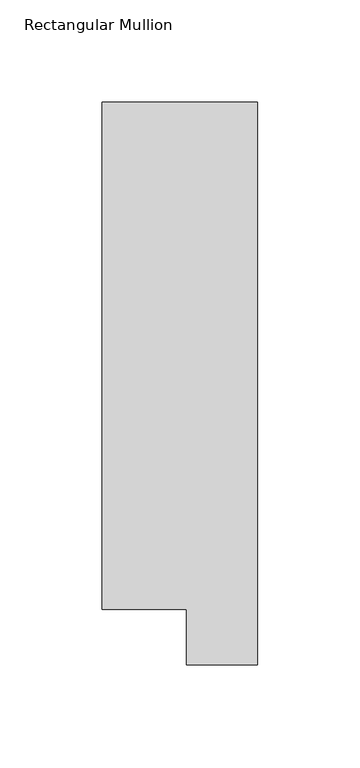
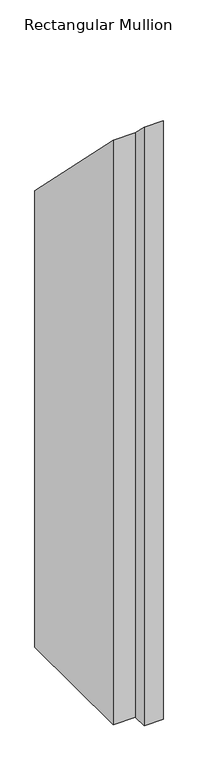
"""IFC4 building model written with IfcOpenShell, lengths in millimetres: member geometry, Rectangular Mullion."""

from ifc_helpers import new_model, si_unit, origin, place, context, project, spatial, faceted_brep, source, transform, mapped, element, save


def rectangular_mullion_a02175db(model_context):
    return source(origin(), model_context, "Body", "Brep", [
        faceted_brep([(0.0, 295.1821312, -1181.4194229), (0.0, 19.5667313, -1181.4194229), (-34.9123, 19.5667313, -1181.4194229), (-34.9123, 46.7447302, -1181.4194229), (-76.2, 46.7447302, -1181.4194229), (-76.2, 295.1821312, -1181.4194229), (-76.2, 295.1821312, -295.1821313), (0.0, 295.1821312, -295.1821313), (-76.2, 46.7447302, -46.7447302), (-34.9123, 46.7447302, -46.7447302), (-34.9123, 19.5667313, -19.5667313), (0.0, 19.5667313, -19.5667313)], [[[0, 1, 2, 3, 4, 5]], [[6, 7, 0, 5]], [[8, 6, 5, 4]], [[9, 8, 4, 3]], [[10, 9, 3, 2]], [[11, 10, 2, 1]], [[7, 11, 1, 0]], [[7, 6, 8, 9, 10, 11]]]),
    ])


if __name__ == "__main__":
    model = new_model("IFC4")
    model_context = context("Model", 3, world=origin())
    ifc_project = project(units=[si_unit("LENGTHUNIT", "METRE", prefix="MILLI")], contexts=[model_context])
    site = spatial("IfcSite", under=ifc_project)
    building = spatial("IfcBuilding", under=site)
    placement = place(None, origin())
    rectangular_mullion_shape = rectangular_mullion_a02175db(model_context)
    element("IfcMember", 1, ObjectType="Rectangular Mullion", at=placement, inside=building, context=model_context, shape_type="MappedRepresentation", body=[
        mapped(rectangular_mullion_shape, transform((0.0, 0.0, 0.0), x_axis=(1.0, 0.0, 0.0), y_axis=(0.0, 1.0, 0.0), z_axis=(0.0, 0.0, 1.0))),
    ])
    save(model, "model.ifc")
